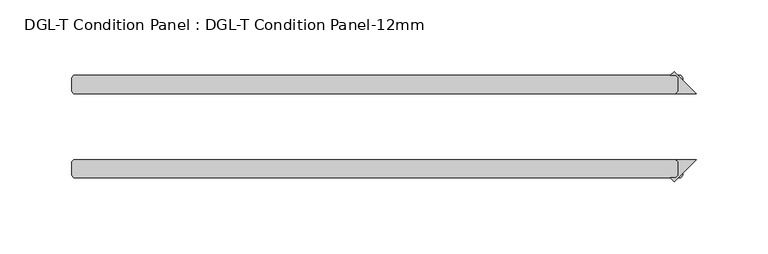
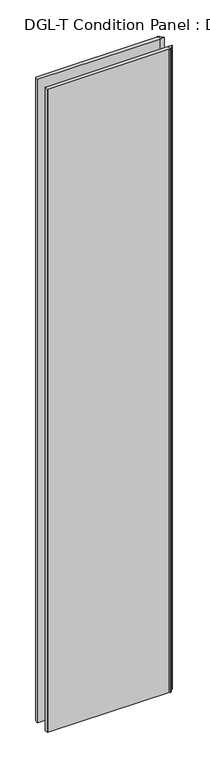
"""IFC4 building model written with IfcOpenShell, lengths in millimetres: plate geometry, DGL-T Condition Panel : DGL-T Condition Panel-12mm."""

from ifc_helpers import new_model, si_unit, origin, origin_with_axes, place, context, project, spatial, polyline, outline, extrude, source, transform, mapped, element, save


def dgl_t_condition_panel_dgl_t_condition_panel_12mm_03031a05(model_context):
    return source(origin(), model_context, "Body", "SweptSolid", [
        extrude(outline(polyline([(215.1080201, -24.60625), (213.5205201, -23.01875), (227.8080201, -23.01875), (212.3979881, -38.428782), (209.6879561, -35.71875), (213.5205201, -35.71875), (215.1080201, -34.13125), (215.1080201, -24.60625)])), origin_with_axes(), (0.0, 0.0, 1.0), 2339.4622278),
        extrude(outline(polyline([(215.1080201, 24.60625), (215.1080201, 34.13125), (213.5205201, 35.71875), (209.6879561, 35.71875), (212.3979881, 38.428782), (227.8080201, 23.01875), (213.5205201, 23.01875), (215.1080201, 24.60625)])), origin_with_axes(), (0.0, 0.0, 1.0), 2339.4622278),
        extrude(outline(polyline([(216.6955201, -23.01875), (218.2830201, -24.60625), (218.2830201, -34.13125), (216.6955201, -35.71875), (-207.1705201, -35.71875), (-208.7580201, -34.13125), (-208.7580201, -24.60625), (-207.1705201, -23.01875), (216.6955201, -23.01875)])), origin_with_axes(), (0.0, 0.0, 1.0), 2339.4622278),
        extrude(outline(polyline([(216.6955201, 35.71875), (218.2830201, 34.13125), (218.2830201, 24.60625), (216.6955201, 23.01875), (-207.1705201, 23.01875), (-208.7580201, 24.60625), (-208.7580201, 34.13125), (-207.1705201, 35.71875), (216.6955201, 35.71875)])), origin_with_axes(), (0.0, 0.0, 1.0), 2339.4622278),
    ])


if __name__ == "__main__":
    model = new_model("IFC4")
    model_context = context("Model", 3, world=origin())
    ifc_project = project(units=[si_unit("LENGTHUNIT", "METRE", prefix="MILLI")], contexts=[model_context])
    site = spatial("IfcSite", under=ifc_project)
    building = spatial("IfcBuilding", under=site)
    placement = place(None, origin())
    dgl_t_condition_panel_dgl_t_condition_panel_12mm_shape = dgl_t_condition_panel_dgl_t_condition_panel_12mm_03031a05(model_context)
    element("IfcPlate", 1, ObjectType="DGL-T Condition Panel : DGL-T Condition Panel-12mm", at=placement, inside=building, context=model_context, shape_type="MappedRepresentation", body=[
        mapped(dgl_t_condition_panel_dgl_t_condition_panel_12mm_shape, transform((0.0, 0.0, 0.0), x_axis=(1.0, 0.0, 0.0), y_axis=(0.0, 1.0, 0.0), z_axis=(0.0, 0.0, 1.0))),
    ])
    save(model, "model.ifc")
